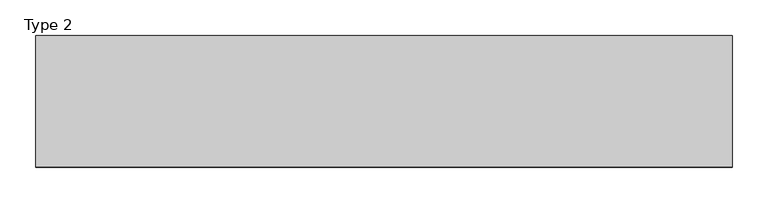
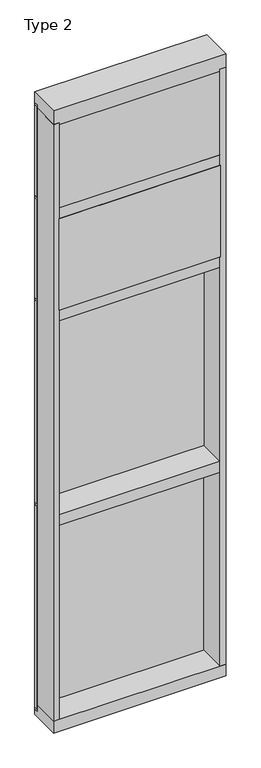
"""IFC4 building model written with IfcOpenShell, lengths in millimetres: plate geometry, Type 2."""

from ifc_helpers import new_model, si_unit, frame, origin, place, context, project, spatial, polyline, outline, extrude, source, transform, mapped, element, save


def type_2_92d11533(model_context):
    return source(origin(), model_context, "Body", "SweptSolid", [
        extrude(outline(polyline([(485.7516225, 27.6881517), (485.7516225, 11.2982336), (473.0527117, 11.2982336), (473.0527117, 27.6881517), (485.7516225, 27.6881517)])), frame((0.0, 0.0, 1225.55), z_axis=(0.0, 0.0, 1.0), x_axis=(1.0, 0.0, 0.0)), (0.0, 0.0, 1.0), 1206.5),
        extrude(outline(polyline([(-473.0527117, 27.6881517), (-473.0527117, 11.2982336), (-485.7516225, 11.2982336), (-485.7516225, 27.6881517), (-473.0527117, 27.6881517)])), frame((0.0, 0.0, 1225.55), z_axis=(0.0, 0.0, 1.0), x_axis=(1.0, 0.0, 0.0)), (0.0, 0.0, 1.0), 1206.5),
        extrude(outline(polyline([(473.0527117, 27.686), (473.0527117, 2.286), (-473.0527117, 2.286), (-473.0527117, 27.686), (473.0527117, 27.686)])), frame((0.0, 0.0, 1225.55), z_axis=(0.0, 0.0, 1.0), x_axis=(1.0, 0.0, 0.0)), (0.0, 0.0, 1.0), 1206.5),
        extrude(outline(polyline([(485.7516225, 27.686), (485.7516225, 6.35), (-485.7516225, 6.35), (-485.7516225, 27.686), (485.7516225, 27.686)])), frame((0.0, 0.0, 2432.05), z_axis=(0.0, 0.0, 1.0), x_axis=(1.0, 0.0, 0.0)), (0.0, 0.0, 1.0), 12.7),
        extrude(outline(polyline([(454.0027117, -48.6409999), (454.0027117, -156.32684), (-454.0016225, -156.32684), (-454.0016225, -48.6409999), (454.0027117, -48.6409999)])), frame((0.0, 0.0, 2470.15), z_axis=(0.0, 0.0, 1.0), x_axis=(1.0, 0.0, 0.0)), (0.0, 0.0, 1.0), 546.1993556),
        extrude(outline(polyline([(485.7516225, 27.686), (485.7516225, 6.35), (-485.7516225, 6.35), (-485.7516225, 27.686), (485.7516225, 27.686)])), frame((0.0, 0.0, 3041.65), z_axis=(0.0, 0.0, 1.0), x_axis=(1.0, 0.0, 0.0)), (0.0, 0.0, 1.0), 12.7),
        extrude(outline(polyline([(485.7516225, 27.6881517), (485.7516225, 11.2982336), (473.0527117, 11.2982336), (473.0527117, 27.6881517), (485.7516225, 27.6881517)])), frame((0.0, 0.0, 2444.75), z_axis=(0.0, 0.0, 1.0), x_axis=(1.0, 0.0, 0.0)), (0.0, 0.0, 1.0), 596.9),
        extrude(outline(polyline([(-473.0527117, 27.6881517), (-473.0527117, 11.2982336), (-485.7516225, 11.2982336), (-485.7516225, 27.6881517), (-473.0527117, 27.6881517)])), frame((0.0, 0.0, 2444.75), z_axis=(0.0, 0.0, 1.0), x_axis=(1.0, 0.0, 0.0)), (0.0, 0.0, 1.0), 596.9),
        extrude(outline(polyline([(473.0527117, 27.686), (473.0527117, 2.286), (-473.0527117, 2.286), (-473.0527117, 27.686), (473.0527117, 27.686)])), frame((0.0, 0.0, 2444.75), z_axis=(0.0, 0.0, 1.0), x_axis=(1.0, 0.0, 0.0)), (0.0, 0.0, 1.0), 596.9),
        extrude(outline(polyline([(-485.7516225, -155.9814), (-485.7516225, 2.286), (-454.0016225, 2.286), (-454.0016225, -155.9814), (-485.7516225, -155.9814)])), frame((0.0, 0.0, 31.75), z_axis=(0.0, 0.0, 1.0), x_axis=(1.0, 0.0, 0.0)), (0.0, 0.0, 1.0), 3556.0),
        extrude(outline(polyline([(485.7516225, -155.9814), (454.0016225, -155.9814), (454.0016225, 2.286), (485.7516225, 2.286), (485.7516225, -155.9814)])), frame((0.0, 0.0, 31.75), z_axis=(0.0, 0.0, 1.0), x_axis=(1.0, 0.0, 0.0)), (0.0, 0.0, 1.0), 3556.0),
        extrude(outline(polyline([(454.0027117, -48.6409999), (454.0027117, -156.32684), (-454.0016225, -156.32684), (-454.0016225, -48.6409999), (454.0027117, -48.6409999)])), frame((0.0, 0.0, 3079.75), z_axis=(0.0, 0.0, 1.0), x_axis=(1.0, 0.0, 0.0)), (0.0, 0.0, 1.0), 495.3984372),
        extrude(outline(polyline([(485.7516225, 27.686), (485.7516225, 6.35), (-485.7516225, 6.35), (-485.7516225, 27.686), (485.7516225, 27.686)])), frame((0.0, 0.0, 3594.1), z_axis=(0.0, 0.0, 1.0), x_axis=(1.0, 0.0, 0.0)), (0.0, 0.0, 1.0), 12.7),
        extrude(outline(polyline([(485.7516225, 27.6881517), (485.7516225, 11.2982336), (473.0527117, 11.2982336), (473.0527117, 27.6881517), (485.7516225, 27.6881517)])), frame((0.0, 0.0, 3054.35), z_axis=(0.0, 0.0, 1.0), x_axis=(1.0, 0.0, 0.0)), (0.0, 0.0, 1.0), 539.75),
        extrude(outline(polyline([(-473.0527117, 27.6881517), (-473.0527117, 11.2982336), (-485.7516225, 11.2982336), (-485.7516225, 27.6881517), (-473.0527117, 27.6881517)])), frame((0.0, 0.0, 3054.35), z_axis=(0.0, 0.0, 1.0), x_axis=(1.0, 0.0, 0.0)), (0.0, 0.0, 1.0), 539.75),
        extrude(outline(polyline([(473.0527117, 27.686), (473.0527117, 2.286), (-473.0527117, 2.286), (-473.0527117, 27.686), (473.0527117, 27.686)])), frame((0.0, 0.0, 3054.35), z_axis=(0.0, 0.0, 1.0), x_axis=(1.0, 0.0, 0.0)), (0.0, 0.0, 1.0), 539.75),
        extrude(outline(polyline([(485.7516225, 27.6881517), (485.7516225, 11.2982336), (473.0527117, 11.2982336), (473.0527117, 27.6881517), (485.7516225, 27.6881517)])), frame((0.0, 0.0, 6.35), z_axis=(0.0, 0.0, 1.0), x_axis=(1.0, 0.0, 0.0)), (0.0, 0.0, 1.0), 1206.5),
        extrude(outline(polyline([(-473.0527117, 27.6881517), (-473.0527117, 11.2982336), (-485.7516225, 11.2982336), (-485.7516225, 27.6881517), (-473.0527117, 27.6881517)])), frame((0.0, 0.0, 6.35), z_axis=(0.0, 0.0, 1.0), x_axis=(1.0, 0.0, 0.0)), (0.0, 0.0, 1.0), 1206.5),
        extrude(outline(polyline([(473.0527117, 27.686), (473.0527117, 2.286), (-473.0527117, 2.286), (-473.0527117, 27.686), (473.0527117, 27.686)])), frame((0.0, 0.0, 6.35), z_axis=(0.0, 0.0, 1.0), x_axis=(1.0, 0.0, 0.0)), (0.0, 0.0, 1.0), 1206.5),
        extrude(outline(polyline([(485.7516225, 27.686), (485.7516225, 6.35), (-485.7516225, 6.35), (-485.7516225, 27.686), (485.7516225, 27.686)])), frame((0.0, 0.0, 1212.85), z_axis=(0.0, 0.0, 1.0), x_axis=(1.0, 0.0, 0.0)), (0.0, 0.0, 1.0), 12.7),
        extrude(outline(polyline([(-454.0016225, -155.4734), (-454.0016225, 2.286), (454.0016225, 2.286), (454.0016225, -155.4734), (-454.0016225, -155.4734)])), frame((0.0, 0.0, 1187.45), z_axis=(0.0, 0.0, 1.0), x_axis=(1.0, 0.0, 0.0)), (0.0, 0.0, 1.0), 63.5),
        extrude(outline(polyline([(-454.0016225, -155.4734), (-454.0016225, 2.286), (454.0016225, 2.286), (454.0016225, -155.4734), (-454.0016225, -155.4734)])), frame((0.0, 0.0, 2406.65), z_axis=(0.0, 0.0, 1.0), x_axis=(1.0, 0.0, 0.0)), (0.0, 0.0, 1.0), 63.5),
        extrude(outline(polyline([(-485.7516225, 5.0946564), (-485.7516225, 27.6881517), (485.7516225, 27.6881517), (485.7516225, 5.0946564), (-485.7516225, 5.0946564)])), frame((0.0, 0.0, -6.2984797), z_axis=(0.0, 0.0, 1.0), x_axis=(1.0, 0.0, 0.0)), (0.0, 0.0, 1.0), 12.6484797),
        extrude(outline(polyline([(27.686, 3670.3), (27.686, 3606.8000642), (2.286, 3606.8000642), (2.286, 3575.0500939), (-155.4734, 3575.0500939), (-155.4734, 3670.3), (27.686, 3670.3)])), frame((-485.7516225, 0.0, 0.0), z_axis=(1.0, 0.0, 0.0), x_axis=(0.0, 1.0, 0.0)), (0.0, 0.0, 1.0), 971.5032451),
        extrude(outline(polyline([(-454.0016225, -155.4734), (-454.0016225, 2.2859999), (454.0016225, 2.2859999), (454.0016225, -155.4734), (-454.0016225, -155.4734)])), frame((0.0, 0.0, 3016.25), z_axis=(0.0, 0.0, 1.0), x_axis=(1.0, 0.0, 0.0)), (0.0, 0.0, 1.0), 63.5),
        extrude(outline(polyline([(2.2859999, 31.75), (2.2859999, -6.2983857), (27.6858239, -6.2983857), (27.6858239, -38.1), (-155.6004, -38.1), (-155.6004, 31.75), (2.2859999, 31.75)])), frame((-485.7516225, 0.0, 0.0), z_axis=(1.0, 0.0, 0.0), x_axis=(0.0, 1.0, 0.0)), (0.0, 0.0, 1.0), 971.5032451),
    ])


if __name__ == "__main__":
    model = new_model("IFC4")
    model_context = context("Model", 3, world=origin())
    ifc_project = project(units=[si_unit("LENGTHUNIT", "METRE", prefix="MILLI")], contexts=[model_context])
    site = spatial("IfcSite", under=ifc_project)
    building = spatial("IfcBuilding", under=site)
    placement = place(None, origin())
    type_2_shape = type_2_92d11533(model_context)
    element("IfcPlate", 1, ObjectType="Type 2", at=placement, inside=building, context=model_context, shape_type="MappedRepresentation", body=[
        mapped(type_2_shape, transform((0.0, 0.0, 0.0), x_axis=(1.0, 0.0, 0.0), y_axis=(0.0, 1.0, 0.0), z_axis=(0.0, 0.0, 1.0))),
    ])
    save(model, "model.ifc")
